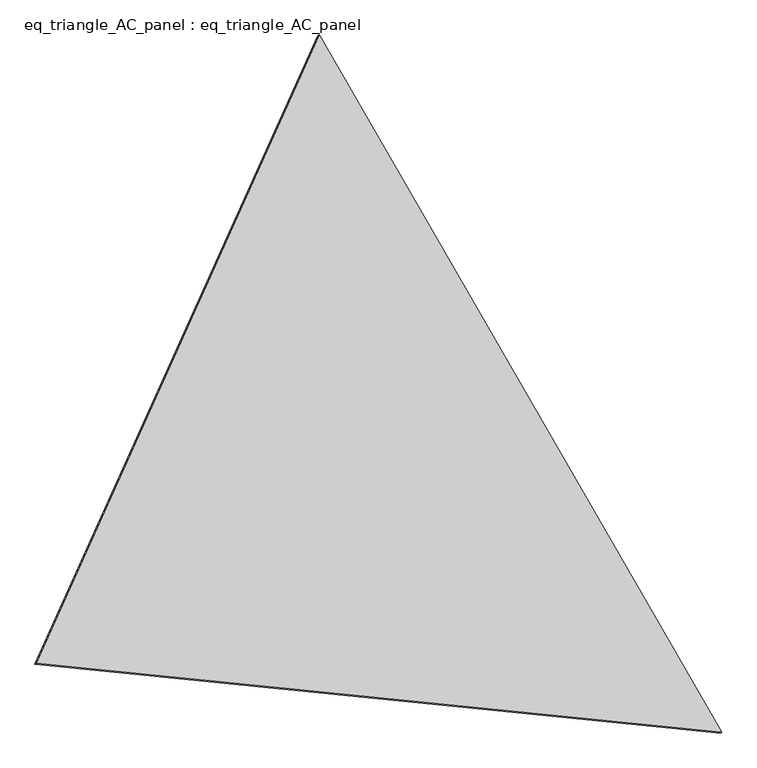
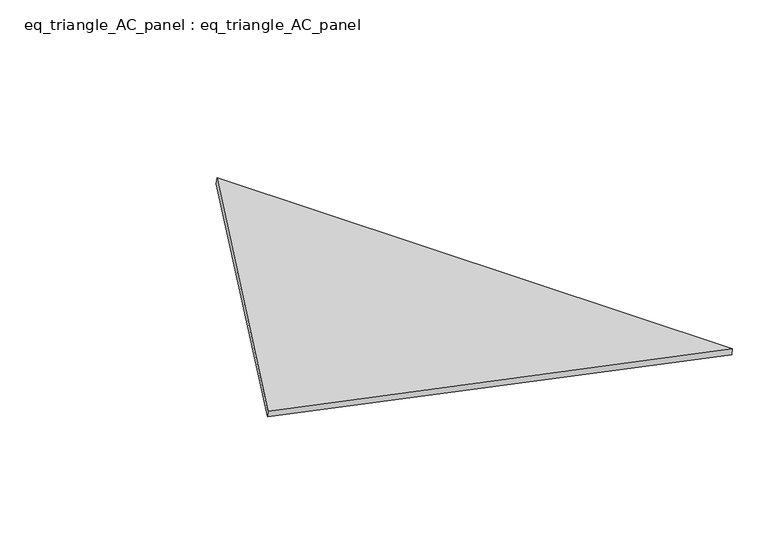
"""IFC4 building model written with IfcOpenShell, lengths in millimetres: proxy geometry, eq_triangle_AC_panel : eq_triangle_AC_panel."""

from ifc_helpers import new_model, si_unit, frame, origin, place, context, project, spatial, polyline, outline, extrude, source, transform, mapped, element, save


def eq_triangle_ac_panel_eq_triangle_ac_panel_cd19f8a9(model_context):
    return source(origin(), model_context, "Body", "SweptSolid", [
        extrude(outline(polyline([(-2017.7410617, 947.6284382), (2017.7410616, 947.6284382), (-1e-07, -1895.2568765), (-2017.7410617, 947.6284382)])), frame((-6.3631761, 524.2531996, 46.6143561), z_axis=(0.1452632851805818, 0.08386570281802187, 0.9858321976225894), x_axis=(0.5000027697419698, -0.8660238046639809, -2.3836681659887155e-06)), (0.0, 0.0, 1.0), 43.8306294),
    ])


if __name__ == "__main__":
    model = new_model("IFC4")
    model_context = context("Model", 3, world=origin())
    ifc_project = project(units=[si_unit("LENGTHUNIT", "METRE", prefix="MILLI")], contexts=[model_context])
    site = spatial("IfcSite", under=ifc_project)
    building = spatial("IfcBuilding", under=site)
    placement = place(None, origin())
    eq_triangle_ac_panel_eq_triangle_ac_panel_shape = eq_triangle_ac_panel_eq_triangle_ac_panel_cd19f8a9(model_context)
    element("IfcBuildingElementProxy", 1, Name="eq_triangle_AC_panel : eq_triangle_AC_panel", ObjectType="eq_triangle_AC_panel : eq_triangle_AC_panel", at=placement, inside=building, context=model_context, shape_type="MappedRepresentation", body=[
        mapped(eq_triangle_ac_panel_eq_triangle_ac_panel_shape, transform((0.0, 0.0, 0.0), x_axis=(1.0, 0.0, 0.0), y_axis=(0.0, 1.0, 0.0), z_axis=(0.0, 0.0, 1.0))),
    ])
    save(model, "model.ifc")
